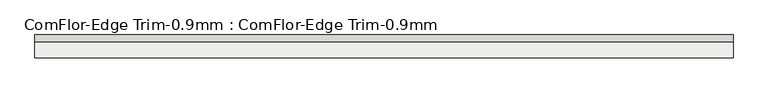
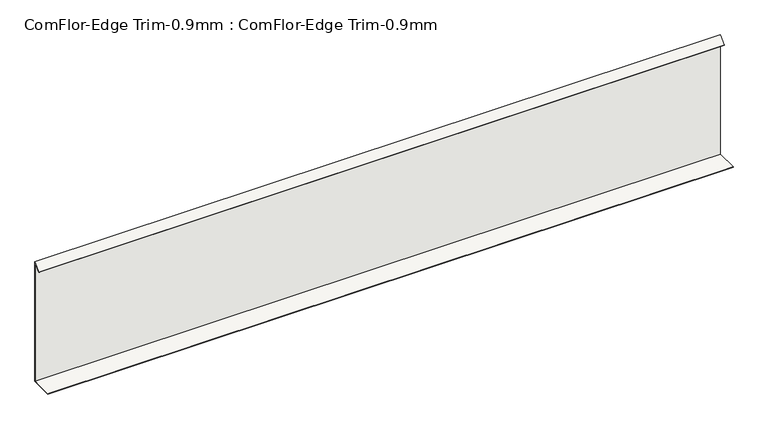
"""IFC4 building model written with IfcOpenShell, lengths in millimetres: slab geometry, ComFlor-Edge Trim-0.9mm : ComFlor-Edge Trim-0.9mm."""

from ifc_helpers import new_model, si_unit, frame, origin, place, context, project, spatial, polyline, outline, extrude, source, transform, mapped, element, save


def comflor_edge_trim_0_9mm_comflor_edge_trim_0_9mm_66992328(model_context):
    return source(origin(), model_context, "Body", "SweptSolid", [
        extrude(outline(polyline([(10790.7815235, 0.0), (10790.7815235, 284.1421356), (10776.6393879, 270.0), (10776.0029918, 270.6363961), (10791.6815235, 286.3149278), (10791.6815235, -0.9), (10740.7815235, -0.9), (10740.7815235, 0.0), (10790.7815235, 0.0)])), frame((-13438.0584914, 0.0, 0.0), z_axis=(1.0, 0.0, 0.0), x_axis=(0.0, 1.0, 0.0)), (0.0, 0.0, 1.0), 1560.0),
    ])


if __name__ == "__main__":
    model = new_model("IFC4")
    model_context = context("Model", 3, world=origin())
    ifc_project = project(units=[si_unit("LENGTHUNIT", "METRE", prefix="MILLI")], contexts=[model_context])
    site = spatial("IfcSite", under=ifc_project)
    building = spatial("IfcBuilding", under=site)
    placement = place(None, origin())
    comflor_edge_trim_0_9mm_comflor_edge_trim_0_9mm_shape = comflor_edge_trim_0_9mm_comflor_edge_trim_0_9mm_66992328(model_context)
    element("IfcSlab", 1, ObjectType="ComFlor-Edge Trim-0.9mm : ComFlor-Edge Trim-0.9mm", at=placement, inside=building, context=model_context, shape_type="MappedRepresentation", body=[
        mapped(comflor_edge_trim_0_9mm_comflor_edge_trim_0_9mm_shape, transform((0.0, 0.0, 0.0), x_axis=(1.0, 0.0, 0.0), y_axis=(0.0, 1.0, 0.0), z_axis=(0.0, 0.0, 1.0))),
    ])
    save(model, "model.ifc")
